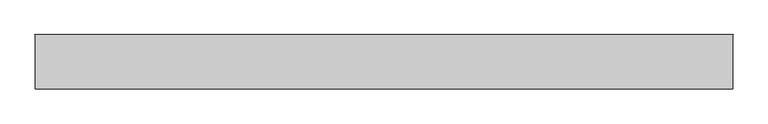
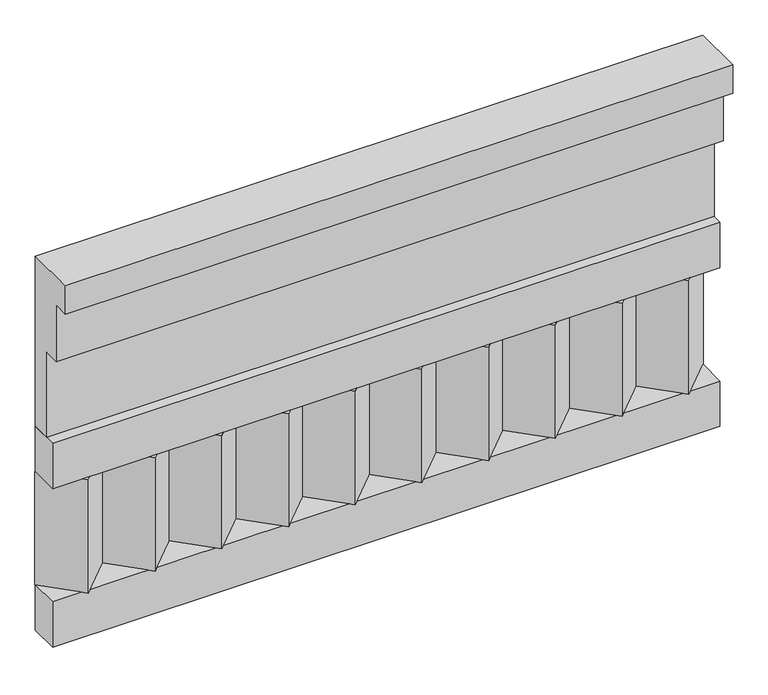
"""IFC4 building model written with IfcOpenShell, lengths in millimetres: railing geometry."""

import ifcopenshell
import ifcopenshell.guid

model = None  # the IFC model being written
_history = None  # IfcOwnerHistory: only IFC2X3 demands one
_inside = {}  # id of a spatial element -> (the spatial element, [elements in it])
_under = {}  # id of a project, library or spatial element -> (it, [spatial elements below it])
_declared = {}  # id of a project -> (the project, [libraries it declares])
_typed = {}  # id of a type object -> (the type object, [elements of that type])
_made_of = {}  # id of a material, layer set ... -> (it, [elements and type objects made of it])


def new_model(schema):
    """Start an empty IFC model of exactly this schema.

    Asked for "IFC4X3", IfcOpenShell would pick the latest addendum, in which some entities
    have other attributes; the version numbers below select the first issue.
    IFC2X3 requires an IfcOwnerHistory on every rooted entity: one is made here for all.
    """
    global model, _history
    if schema == "IFC4X3":
        model = ifcopenshell.file(schema_version=(4, 3, 0, 0))
    else:
        model = ifcopenshell.file(schema=schema)
    _inside.clear()
    _under.clear()
    _declared.clear()
    _typed.clear()
    _made_of.clear()
    _history = None
    if model.schema == "IFC2X3":
        org = make("IfcOrganization", Name="unknown")
        user = make(
            "IfcPersonAndOrganization",
            ThePerson=make("IfcPerson", FamilyName="unknown"),
            TheOrganization=org,
        )
        app = make(
            "IfcApplication",
            ApplicationDeveloper=org,
            Version="unknown",
            ApplicationFullName="unknown",
            ApplicationIdentifier="unknown",
        )
        _history = make(
            "IfcOwnerHistory",
            OwningUser=user,
            OwningApplication=app,
            ChangeAction="ADDED",
            CreationDate=0,
        )
    return model


def make(cls, **values):
    """One entity of the class cls with the attributes given. An attribute that is None is left unset."""
    return model.create_entity(
        cls, **{name: value for name, value in values.items() if value is not None}
    )


def rooted(cls, **values):
    """An entity with a GlobalId (a new one), such as an element, a storey or a relation."""
    return make(cls, GlobalId=ifcopenshell.guid.new(), OwnerHistory=_history, **values)


def si_unit(unit_type, name, prefix=None):
    """IfcSIUnit, for example si_unit("LENGTHUNIT", "METRE", prefix="MILLI")."""
    return make("IfcSIUnit", UnitType=unit_type, Prefix=prefix, Name=name)


def assignment(units):
    """IfcUnitAssignment: the units of a project."""
    return None if units is None else make("IfcUnitAssignment", Units=units)


def point(xyz):
    """IfcCartesianPoint."""
    return None if xyz is None else make("IfcCartesianPoint", Coordinates=xyz)


def direction(xyz):
    """IfcDirection."""
    return None if xyz is None else make("IfcDirection", DirectionRatios=xyz)


def frame(location, z_axis=None, x_axis=None):
    """IfcAxis2Placement3D, a coordinate frame: its origin and axes. An axis left out is left unset."""
    return make(
        "IfcAxis2Placement3D",
        Location=point(location),
        Axis=direction(z_axis),
        RefDirection=direction(x_axis),
    )


def origin():
    """The frame at (0, 0, 0) with its axes left unset."""
    return frame((0.0, 0.0, 0.0))


def place(relative_to, where):
    """IfcLocalPlacement: puts the frame where relative to a parent placement (None: the world)."""
    return make(
        "IfcLocalPlacement", PlacementRelTo=relative_to, RelativePlacement=where
    )


def context(
    kind, dimensions, precision=None, world=None, true_north=None, identifier=None
):
    """IfcGeometricRepresentationContext, for example the 3D "Model" context."""
    return make(
        "IfcGeometricRepresentationContext",
        ContextIdentifier=identifier,
        ContextType=kind,
        CoordinateSpaceDimension=dimensions,
        Precision=precision,
        WorldCoordinateSystem=world,
        TrueNorth=true_north,
    )


def project(units=None, contexts=None):
    """IfcProject with its units and contexts."""
    return rooted(
        "IfcProject",
        Name="project",
        RepresentationContexts=contexts,
        UnitsInContext=assignment(units),
    )


def spatial(cls, under=None, at=None, **own):
    """A site, building, storey or space (cls), placed at a placement, below another one or the project."""
    s = rooted(cls, ObjectPlacement=at, **own)
    if under is not None:
        _under.setdefault(under.id(), (under, []))[1].append(s)
    return s


def polyline(points):
    """IfcPolyline through the points."""
    return make("IfcPolyline", Points=[point(p) for p in points])


def outline(outer, holes=None, kind="AREA"):
    """IfcArbitraryClosedProfileDef: a profile drawn as a closed curve; with holes, ...WithVoids."""
    if holes is None:
        return make("IfcArbitraryClosedProfileDef", ProfileType=kind, OuterCurve=outer)
    return make(
        "IfcArbitraryProfileDefWithVoids",
        ProfileType=kind,
        OuterCurve=outer,
        InnerCurves=holes,
    )


def extrude(swept, where, along, depth):
    """IfcExtrudedAreaSolid: the profile swept, set in the frame where, extruded along a direction by depth."""
    return make(
        "IfcExtrudedAreaSolid",
        SweptArea=swept,
        Position=where,
        ExtrudedDirection=direction(along),
        Depth=depth,
    )


def shape(context_of_items, identifier, shape_type, items):
    """IfcShapeRepresentation: the items that make up one representation, for example the "Body"."""
    return make(
        "IfcShapeRepresentation",
        ContextOfItems=context_of_items,
        RepresentationIdentifier=identifier,
        RepresentationType=shape_type,
        Items=items,
    )


def source(mapping_origin, context_of_items, identifier, shape_type, items):
    """IfcRepresentationMap: a shape defined once, which mapped items show again and again."""
    return make(
        "IfcRepresentationMap",
        MappingOrigin=mapping_origin,
        MappedRepresentation=shape(context_of_items, identifier, shape_type, items),
    )


def transform(
    local_origin,
    x_axis=None,
    y_axis=None,
    z_axis=None,
    scale=None,
    scale2=None,
    scale3=None,
    uniform=True,
):
    """IfcCartesianTransformationOperator3D, or its non-uniform kind. x_axis, y_axis, z_axis: its Axis1, 2, 3."""
    if uniform:
        return make(
            "IfcCartesianTransformationOperator3D",
            Axis1=direction(x_axis),
            Axis2=direction(y_axis),
            LocalOrigin=point(local_origin),
            Scale=scale,
            Axis3=direction(z_axis),
        )
    return make(
        "IfcCartesianTransformationOperator3DnonUniform",
        Axis1=direction(x_axis),
        Axis2=direction(y_axis),
        LocalOrigin=point(local_origin),
        Scale=scale,
        Axis3=direction(z_axis),
        Scale2=scale2,
        Scale3=scale3,
    )


def mapped(mapping_source, mapping_target):
    """IfcMappedItem: shows the shape of a source again, moved by a transform."""
    return make(
        "IfcMappedItem", MappingSource=mapping_source, MappingTarget=mapping_target
    )


def made_of(thing, what):
    """Note that an element or type object is made of a material, layer set ...; save() writes the relation."""
    if what is not None:
        _made_of.setdefault(what.id(), (what, []))[1].append(thing)
    return thing


def element(
    cls,
    number,
    at=None,
    inside=None,
    cuts=None,
    type_object=None,
    material=None,
    context=None,
    identifier="Body",
    shape_type=None,
    held_by="IfcProductDefinitionShape",
    body=None,
    shapes=None,
    **own,
):
    """One element of the class cls, such as IfcWall. Its Tag is "e" and its number.

    at: its placement. inside: the storey or other place that contains it. cuts: it is an
    opening in that element (IfcRelVoidsElement). A single representation is given by context,
    identifier, shape_type and body (its items); several are given by shapes. held_by: the class
    of the entity that holds the representations. save() writes the other relations.
    """
    e = rooted(cls, Tag="e%d" % number, ObjectPlacement=at, **own)
    if body is not None:
        shapes = [shape(context, identifier, shape_type, body)]
    if shapes is not None:
        e.Representation = make(held_by, Representations=shapes)
    if inside is not None:
        _inside.setdefault(inside.id(), (inside, []))[1].append(e)
    if cuts is not None:
        rooted(
            "IfcRelVoidsElement", RelatingBuildingElement=cuts, RelatedOpeningElement=e
        )
    if type_object is not None:
        _typed.setdefault(type_object.id(), (type_object, []))[1].append(e)
    return made_of(e, material)


def aggregate(whole, parts):
    """IfcRelAggregates: a whole, such as a stair, and the parts it consists of."""
    return rooted("IfcRelAggregates", RelatingObject=whole, RelatedObjects=parts)


def save(model, path):
    """Write the relations noted so far, then the file.

    IfcRelAggregates (storeys below a building ...), IfcRelContainedInSpatialStructure (elements
    in a storey), IfcRelDefinesByType, IfcRelAssociatesMaterial and IfcRelDeclares: one each for
    every whole, place, type object, material and project.
    """
    for whole, parts in _under.values():
        aggregate(whole, parts)
    for where, things in _inside.values():
        rooted(
            "IfcRelContainedInSpatialStructure",
            RelatedElements=things,
            RelatingStructure=where,
        )
    for kind, things in _typed.values():
        rooted("IfcRelDefinesByType", RelatedObjects=things, RelatingType=kind)
    for what, things in _made_of.values():
        rooted("IfcRelAssociatesMaterial", RelatedObjects=things, RelatingMaterial=what)
    for by, libraries in _declared.values():
        rooted("IfcRelDeclares", RelatingContext=by, RelatedDefinitions=libraries)
    model.write(path)


def railing_7190354d(model_context):
    return source(origin(), model_context, "Body", "SweptSolid", [
        extrude(outline(polyline([(-16816.8920513, 25100.0), (-16816.8920513, 24650.0), (-16866.8920513, 24650.0), (-16866.8920513, 24875.0), (-16906.8920513, 24875.0), (-16906.8920513, 25025.0), (-16946.8920513, 25025.0), (-16946.8920513, 25100.0), (-16816.8920513, 25100.0)])), frame((-29609.9887159, 0.0, 0.0), z_axis=(1.0, 0.0, 0.0), x_axis=(0.0, 1.0, 0.0)), (0.0, 0.0, 1.0), 1670.0),
        extrude(outline(polyline([(-29609.9887159, -16891.8920513), (-29609.9887159, -16816.8920513), (-27939.9887159, -16816.8920513), (-27939.9887159, -16891.8920513), (-29609.9887159, -16891.8920513)])), frame((0.0, 0.0, 24530.0), z_axis=(0.0, 0.0, 1.0), x_axis=(1.0, 0.0, 0.0)), (0.0, 0.0, 1.0), 120.0),
        extrude(outline(polyline([(-29609.9887159, -16891.8920513), (-29609.9887159, -16816.8920513), (-27939.9887159, -16816.8920513), (-27939.9887159, -16891.8920513), (-29609.9887159, -16891.8920513)])), frame((0.0, 0.0, 24110.0), z_axis=(0.0, 0.0, 1.0), x_axis=(1.0, 0.0, 0.0)), (0.0, 0.0, 1.0), 120.0),
        extrude(outline(polyline([(-28023.4887159, -16901.7448651), (-28108.3415296, -16816.8920513), (-27938.6359022, -16816.8920513), (-28023.4887159, -16901.7448651)])), frame((0.0, 0.0, 24230.0), z_axis=(0.0, 0.0, 1.0), x_axis=(1.0, 0.0, 0.0)), (0.0, 0.0, 1.0), 300.0),
        extrude(outline(polyline([(-28190.4887159, -16901.7448651), (-28275.3415296, -16816.8920513), (-28105.6359022, -16816.8920513), (-28190.4887159, -16901.7448651)])), frame((0.0, 0.0, 24230.0), z_axis=(0.0, 0.0, 1.0), x_axis=(1.0, 0.0, 0.0)), (0.0, 0.0, 1.0), 300.0),
        extrude(outline(polyline([(-28357.4887159, -16901.7448651), (-28442.3415296, -16816.8920513), (-28272.6359022, -16816.8920513), (-28357.4887159, -16901.7448651)])), frame((0.0, 0.0, 24230.0), z_axis=(0.0, 0.0, 1.0), x_axis=(1.0, 0.0, 0.0)), (0.0, 0.0, 1.0), 300.0),
        extrude(outline(polyline([(-28524.4887159, -16901.7448651), (-28609.3415296, -16816.8920513), (-28439.6359022, -16816.8920513), (-28524.4887159, -16901.7448651)])), frame((0.0, 0.0, 24230.0), z_axis=(0.0, 0.0, 1.0), x_axis=(1.0, 0.0, 0.0)), (0.0, 0.0, 1.0), 300.0),
        extrude(outline(polyline([(-28691.4887159, -16901.7448651), (-28776.3415296, -16816.8920513), (-28606.6359022, -16816.8920513), (-28691.4887159, -16901.7448651)])), frame((0.0, 0.0, 24230.0), z_axis=(0.0, 0.0, 1.0), x_axis=(1.0, 0.0, 0.0)), (0.0, 0.0, 1.0), 300.0),
        extrude(outline(polyline([(-28858.4887159, -16901.7448651), (-28943.3415296, -16816.8920513), (-28773.6359022, -16816.8920513), (-28858.4887159, -16901.7448651)])), frame((0.0, 0.0, 24230.0), z_axis=(0.0, 0.0, 1.0), x_axis=(1.0, 0.0, 0.0)), (0.0, 0.0, 1.0), 300.0),
        extrude(outline(polyline([(-29025.4887159, -16901.7448651), (-29110.3415296, -16816.8920513), (-28940.6359022, -16816.8920513), (-29025.4887159, -16901.7448651)])), frame((0.0, 0.0, 24230.0), z_axis=(0.0, 0.0, 1.0), x_axis=(1.0, 0.0, 0.0)), (0.0, 0.0, 1.0), 300.0),
        extrude(outline(polyline([(-29192.4887159, -16901.7448651), (-29277.3415296, -16816.8920513), (-29107.6359022, -16816.8920513), (-29192.4887159, -16901.7448651)])), frame((0.0, 0.0, 24230.0), z_axis=(0.0, 0.0, 1.0), x_axis=(1.0, 0.0, 0.0)), (0.0, 0.0, 1.0), 300.0),
        extrude(outline(polyline([(-29359.4887159, -16901.7448651), (-29444.3415296, -16816.8920513), (-29274.6359022, -16816.8920513), (-29359.4887159, -16901.7448651)])), frame((0.0, 0.0, 24230.0), z_axis=(0.0, 0.0, 1.0), x_axis=(1.0, 0.0, 0.0)), (0.0, 0.0, 1.0), 300.0),
        extrude(outline(polyline([(-29526.4887159, -16901.7448651), (-29611.3415296, -16816.8920513), (-29441.6359022, -16816.8920513), (-29526.4887159, -16901.7448651)])), frame((0.0, 0.0, 24230.0), z_axis=(0.0, 0.0, 1.0), x_axis=(1.0, 0.0, 0.0)), (0.0, 0.0, 1.0), 300.0),
    ])


if __name__ == "__main__":
    model = new_model("IFC4")
    model_context = context("Model", 3, world=origin())
    ifc_project = project(units=[si_unit("LENGTHUNIT", "METRE", prefix="MILLI")], contexts=[model_context])
    site = spatial("IfcSite", under=ifc_project)
    building = spatial("IfcBuilding", under=site)
    placement = place(None, origin())
    railing_shape = railing_7190354d(model_context)
    element("IfcRailing", 1, at=placement, inside=building, context=model_context, shape_type="MappedRepresentation", body=[
        mapped(railing_shape, transform((0.0, 0.0, 0.0), x_axis=(1.0, 0.0, 0.0), y_axis=(0.0, 1.0, 0.0), z_axis=(0.0, 0.0, 1.0))),
    ])
    save(model, "model.ifc")
